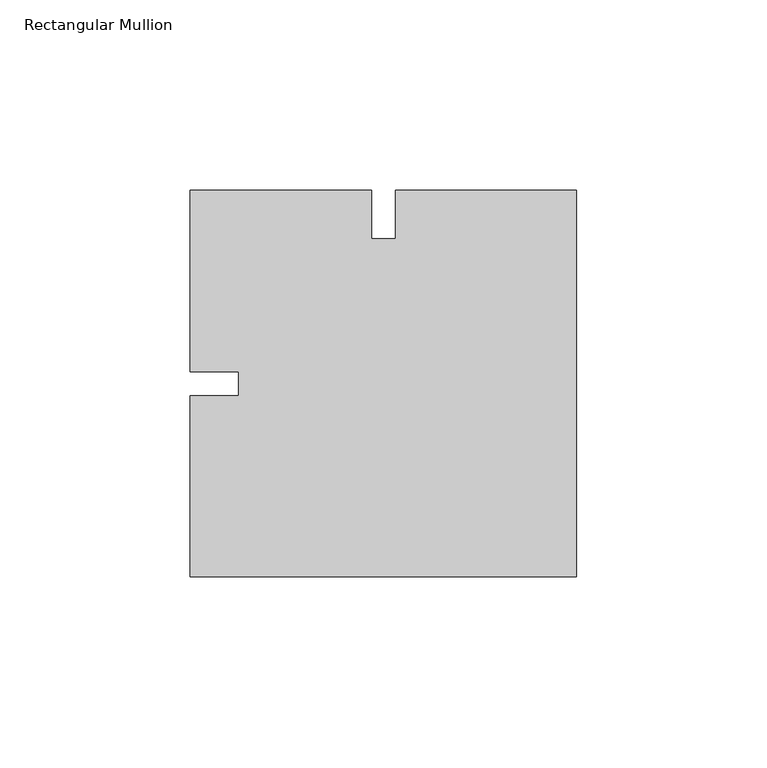
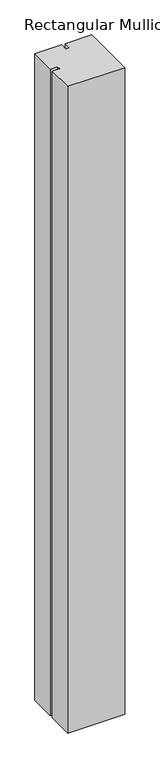
"""IFC4 building model written with IfcOpenShell, lengths in millimetres: member geometry, Rectangular Mullion."""

from ifc_helpers import new_model, si_unit, frame, origin, place, context, project, spatial, polyline, outline, extrude, source, transform, mapped, element, save


def rectangular_mullion_a2fe4e87(model_context):
    return source(origin(), model_context, "Body", "SweptSolid", [
        extrude(outline(polyline([(-47.625, 50.8), (0.0, 50.8), (0.0, -50.8), (-101.6, -50.8), (-101.6, -3.175), (-88.8982296, -3.175), (-88.8982296, 3.175), (-101.6, 3.175), (-101.6, 50.8), (-53.975, 50.8), (-53.975, 38.1), (-47.625, 38.1), (-47.625, 50.8)])), frame((0.0, 0.0, -1219.2), z_axis=(0.0, 0.0, 1.0), x_axis=(1.0, 0.0, 0.0)), (0.0, 0.0, 1.0), 1219.2),
    ])


if __name__ == "__main__":
    model = new_model("IFC4")
    model_context = context("Model", 3, world=origin())
    ifc_project = project(units=[si_unit("LENGTHUNIT", "METRE", prefix="MILLI")], contexts=[model_context])
    site = spatial("IfcSite", under=ifc_project)
    building = spatial("IfcBuilding", under=site)
    placement = place(None, origin())
    rectangular_mullion_shape = rectangular_mullion_a2fe4e87(model_context)
    element("IfcMember", 1, ObjectType="Rectangular Mullion", at=placement, inside=building, context=model_context, shape_type="MappedRepresentation", body=[
        mapped(rectangular_mullion_shape, transform((0.0, 0.0, 0.0), x_axis=(1.0, 0.0, 0.0), y_axis=(0.0, 1.0, 0.0), z_axis=(0.0, 0.0, 1.0))),
    ])
    save(model, "model.ifc")
